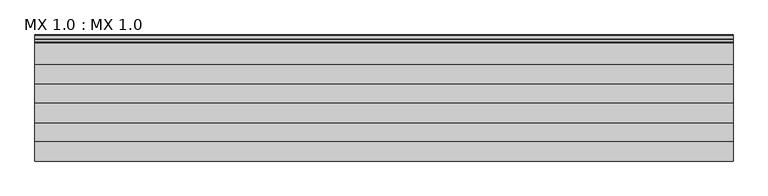
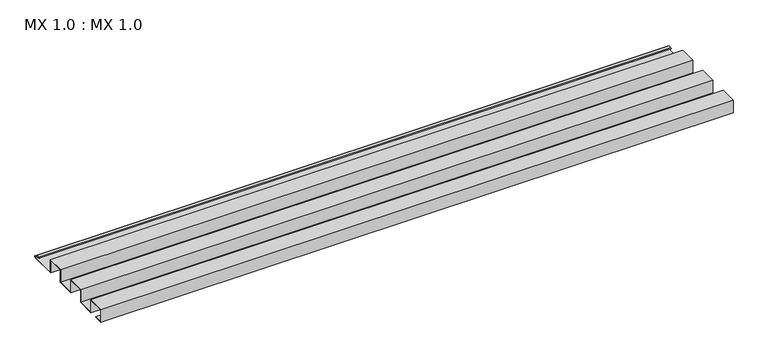
"""IFC4 building model written with IfcOpenShell, lengths in millimetres: proxy geometry, MX 1.0 : MX 1.0."""

from ifc_helpers import new_model, si_unit, point, frame, frame_2d, origin, place, context, project, spatial, polyline, circle_curve, trimmed, segment, composite_curve, outline, extrude, source, transform, mapped, element, save


def mx_1_0_mx_1_0_246ffe01(model_context):
    return source(origin(), model_context, "Body", "SweptSolid", [
        extrude(outline(composite_curve([segment(polyline([(0.0, 0.0), (0.0, 38.0), (50.0, 38.0), (50.0, 0.0), (100.0, 0.0), (100.0, 38.0), (150.0, 38.0), (150.0, 0.0), (200.0, 0.0), (200.0, 38.0), (250.0, 38.0), (250.0, 0.0), (325.0510156, 0.0)]), True, "CONTINUOUS"), segment(trimmed(circle_curve(frame_2d((324.3094696, 1.9153551)), 2.0538928), [point((325.0510156, 0.0))], [point((325.1748462, 3.778041))], True, "CARTESIAN"), True, "CONTINUOUS"), segment(polyline([(325.1748462, 3.778041), (308.7874714, 6.923107)]), True, "CONTINUOUS"), segment(trimmed(circle_curve(frame_2d((309.4078886, 8.6005442)), 1.7884947), [point((308.7874714, 6.923107))], [point((308.9525789, 10.3301125))], False, "CARTESIAN"), True, "CONTINUOUS"), segment(polyline([(308.9525789, 10.3301125), (316.459338, 11.6715995), (316.635255, 10.6871945), (309.1762081, 9.3542338)]), True, "CONTINUOUS"), segment(trimmed(circle_curve(frame_2d((309.4078886, 8.6005442)), 0.7884947), [point((309.1762081, 9.3542338))], [point((309.0735117, 7.8864603))], True, "CARTESIAN"), True, "CONTINUOUS"), segment(polyline([(309.0735117, 7.8864603), (325.4722719, 4.7392091)]), True, "CONTINUOUS"), segment(trimmed(circle_curve(frame_2d((324.3094696, 1.9153551)), 3.0538928), [point((325.4722719, 4.7392091))], [point((325.2188462, -1.0))], False, "CARTESIAN"), True, "CONTINUOUS"), segment(polyline([(325.2188462, -1.0), (249.0, -1.0), (249.0, 37.0), (201.0, 37.0), (201.0, -1.0), (149.0, -1.0), (149.0, 37.0), (101.0, 37.0), (101.0, -1.0), (49.0, -1.0), (49.0, 37.0), (1.0, 37.0), (1.0, 1.0), (25.0, 1.0), (25.0, 0.0), (0.0, 0.0)]), True, "CONTINUOUS")], self_intersect=False)), frame((0.0, 0.0, 0.0), z_axis=(1.0, 0.0, 0.0), x_axis=(0.0, 1.0, 0.0)), (0.0, 0.0, 1.0), 1812.2237727),
    ])


if __name__ == "__main__":
    model = new_model("IFC4")
    model_context = context("Model", 3, world=origin())
    ifc_project = project(units=[si_unit("LENGTHUNIT", "METRE", prefix="MILLI")], contexts=[model_context])
    site = spatial("IfcSite", under=ifc_project)
    building = spatial("IfcBuilding", under=site)
    placement = place(None, origin())
    mx_1_0_mx_1_0_shape = mx_1_0_mx_1_0_246ffe01(model_context)
    element("IfcBuildingElementProxy", 1, Name="MX 1.0 : MX 1.0", ObjectType="MX 1.0 : MX 1.0", at=placement, inside=building, context=model_context, shape_type="MappedRepresentation", body=[
        mapped(mx_1_0_mx_1_0_shape, transform((0.0, 0.0, 0.0), x_axis=(1.0, 0.0, 0.0), y_axis=(0.0, 1.0, 0.0), z_axis=(0.0, 0.0, 1.0))),
    ])
    save(model, "model.ifc")
